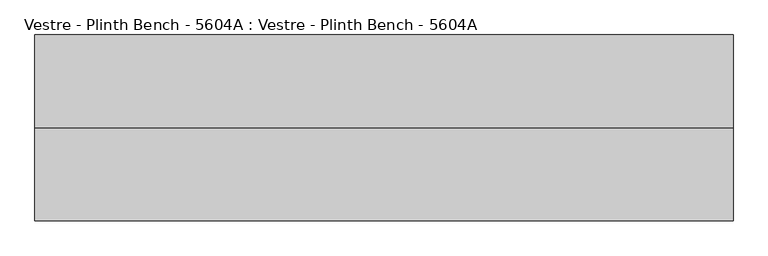
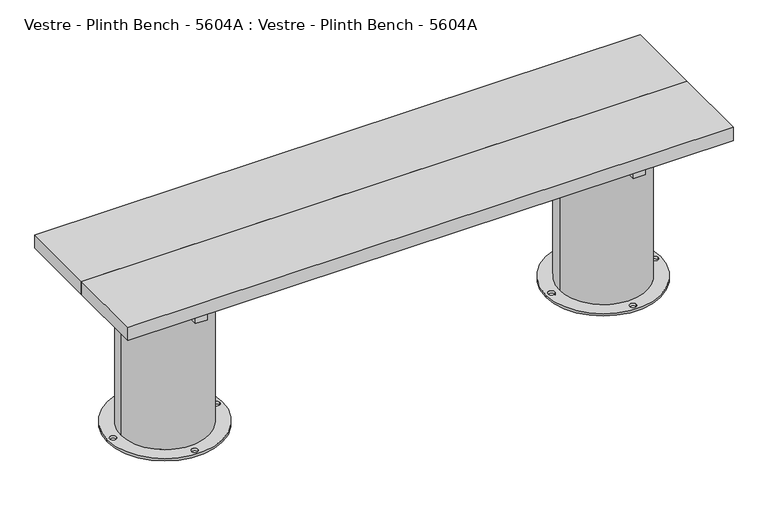
"""IFC4 building model written with IfcOpenShell, lengths in millimetres: furniture geometry, Vestre - Plinth Bench - 5604A : Vestre - Plinth Bench - 5604A."""

from ifc_helpers import new_model, si_unit, frame, origin, place, context, project, spatial, polyline, circle_curve, outline, extrude, source, transform, mapped, element, save
from ifc_brep_helpers import plane_surface, cylinder_surface, revolved_surface, advanced_brep


def vestre_plinth_bench_5604a_vestre_plinth_bench_5604a_52612a8a(model_context):
    return source(origin(), model_context, "Body", "SolidModel", [
        extrude(outline(polyline([(760.0005464, -17.5001515), (760.0005464, -219.9999989), (-760.0005464, -219.9999989), (-760.0005464, -17.5001515), (760.0005464, -17.5001515)])), frame((0.0, 0.0, 414.9999847), z_axis=(0.0, 0.0, 1.0), x_axis=(1.0, 0.0, 0.0)), (0.0, 0.0, 1.0), 35.0000153),
        extrude(outline(polyline([(565.4994536, -378.0001515), (535.4811401, -378.0001515), (535.4811401, -62.0001515), (565.4994536, -62.0001515), (565.4994536, -378.0001515)])), frame((0.0, 0.0, 364.9999847), z_axis=(0.0, 0.0, 1.0), x_axis=(1.0, 0.0, 0.0)), (0.0, 0.0, 1.0), 50.0),
        advanced_brep(
        [(538.5005464, -237.5001515, 274.9999847), (538.5005464, -237.5001515, 364.9999847), (538.5005464, -202.4998463, 364.9999847), (538.5005464, -202.4998463, 274.9999847), (442.3211565, -202.4998463, 274.9999847), (440.9147793, -219.9999989, 274.9999847), (442.3211565, -237.5001515, 274.9999847), (442.3211565, -202.4998463, 364.9999847), (442.3211565, -237.5001515, 364.9999847), (660.0830351, -219.9999989, 364.9999847), (695.0290119, -219.9999989, 0.0), (405.9688024, -219.9999989, 0.0), (688.5005464, -219.9999989, 0.0), (672.5005464, -219.9999989, 0.0), (558.5005464, -90.0001458, 0.0), (542.5005464, -90.0001458, 0.0), (412.497268, -219.9999989, 0.0), (428.497268, -219.9999989, 0.0), (558.5005464, -349.9998521, 0.0), (542.5005464, -349.9998521, 0.0), (440.9147793, -219.9999989, 5.8600001), (660.0830351, -219.9999989, 5.8600001), (695.0290119, -219.9999989, 5.8600001), (405.9688024, -219.9999989, 5.8600001), (688.5005464, -219.9999989, 5.8600001), (672.5005464, -219.9999989, 5.8600001), (558.5005464, -90.0001458, 5.8600001), (542.5005464, -90.0001458, 5.8600001), (412.497268, -219.9999989, 5.8600001), (428.497268, -219.9999989, 5.8600001), (558.5005464, -349.9998521, 5.8600001), (542.5005464, -349.9998521, 5.8600001)],
        [
            (0, 1),
            (1, 2),
            (2, 3),
            (3, 0),
            (3, 4),
            (4, 5, circle_curve(frame((550.4989072, -219.9999989, 274.9999847), z_axis=(0.0, 0.0, 1.0), x_axis=(-1.0, 0.0, 0.0)), 109.5841279)),
            (5, 6, circle_curve(frame((550.4989072, -219.9999989, 274.9999847), z_axis=(0.0, 0.0, 1.0), x_axis=(-1.0, 0.0, 0.0)), 109.5841279)),
            (6, 0),
            (2, 7),
            (7, 4),
            (6, 8),
            (8, 1),
            (9, 7, circle_curve(frame((550.4989072, -219.9999989, 364.9999847), z_axis=(0.0, 0.0, 1.0), x_axis=(-1.0, 0.0, 0.0)), 109.5841279)),
            (8, 9, circle_curve(frame((550.4989072, -219.9999989, 364.9999847), z_axis=(0.0, 0.0, 1.0), x_axis=(-1.0, 0.0, 0.0)), 109.5841279)),
            (10, 11, circle_curve(frame((550.4989072, -219.9999989, 0.0), z_axis=(0.0, 0.0, -1.0), x_axis=(-1.0, 0.0, 0.0)), 144.5301047)),
            (11, 10, circle_curve(frame((550.4989072, -219.9999989, 0.0), z_axis=(0.0, 0.0, -1.0), x_axis=(-1.0, 0.0, 0.0)), 144.5301047)),
            (12, 13, circle_curve(frame((680.5005464, -219.9999989, 0.0), z_axis=(0.0, 0.0, 1.0), x_axis=(-1.0, 0.0, 0.0)), 8.0)),
            (13, 12, circle_curve(frame((680.5005464, -219.9999989, 0.0), z_axis=(0.0, 0.0, 1.0), x_axis=(-1.0, 0.0, 0.0)), 8.0)),
            (14, 15, circle_curve(frame((550.5005464, -90.0001458, 0.0), z_axis=(0.0, 0.0, 1.0), x_axis=(-1.0, 0.0, 0.0)), 8.0)),
            (15, 14, circle_curve(frame((550.5005464, -90.0001458, 0.0), z_axis=(0.0, 0.0, 1.0), x_axis=(-1.0, 0.0, 0.0)), 8.0)),
            (16, 17, circle_curve(frame((420.497268, -219.9999989, 0.0), z_axis=(0.0, 0.0, 1.0), x_axis=(1.0, 0.0, 0.0)), 8.0)),
            (17, 16, circle_curve(frame((420.497268, -219.9999989, 0.0), z_axis=(0.0, 0.0, 1.0), x_axis=(1.0, 0.0, 0.0)), 8.0)),
            (18, 19, circle_curve(frame((550.5005464, -349.9998521, 0.0), z_axis=(0.0, 0.0, 1.0), x_axis=(-1.0, 0.0, 0.0)), 8.0)),
            (19, 18, circle_curve(frame((550.5005464, -349.9998521, 0.0), z_axis=(0.0, 0.0, 1.0), x_axis=(-1.0, 0.0, 0.0)), 8.0)),
            (5, 20),
            (20, 21, circle_curve(frame((550.4989072, -219.9999989, 5.8600001), z_axis=(0.0, 0.0, 1.0), x_axis=(-1.0, 0.0, 0.0)), 109.5841279)),
            (21, 9),
            (21, 20, circle_curve(frame((550.4989072, -219.9999989, 5.8600001), z_axis=(0.0, 0.0, 1.0), x_axis=(-1.0, 0.0, 0.0)), 109.5841279)),
            (22, 23, circle_curve(frame((550.4989072, -219.9999989, 5.8600001), z_axis=(0.0, 0.0, 1.0), x_axis=(-1.0, 0.0, 0.0)), 144.5301047)),
            (23, 22, circle_curve(frame((550.4989072, -219.9999989, 5.8600001), z_axis=(0.0, 0.0, 1.0), x_axis=(-1.0, 0.0, 0.0)), 144.5301047)),
            (24, 25, circle_curve(frame((680.5005464, -219.9999989, 5.8600001), z_axis=(0.0, 0.0, -1.0), x_axis=(-1.0, 0.0, 0.0)), 8.0)),
            (25, 24, circle_curve(frame((680.5005464, -219.9999989, 5.8600001), z_axis=(0.0, 0.0, -1.0), x_axis=(-1.0, 0.0, 0.0)), 8.0)),
            (26, 27, circle_curve(frame((550.5005464, -90.0001458, 5.8600001), z_axis=(0.0, 0.0, -1.0), x_axis=(-1.0, 0.0, 0.0)), 8.0)),
            (27, 26, circle_curve(frame((550.5005464, -90.0001458, 5.8600001), z_axis=(0.0, 0.0, -1.0), x_axis=(-1.0, 0.0, 0.0)), 8.0)),
            (28, 29, circle_curve(frame((420.497268, -219.9999989, 5.8600001), z_axis=(0.0, 0.0, -1.0), x_axis=(1.0, 0.0, 0.0)), 8.0)),
            (29, 28, circle_curve(frame((420.497268, -219.9999989, 5.8600001), z_axis=(0.0, 0.0, -1.0), x_axis=(1.0, 0.0, 0.0)), 8.0)),
            (30, 31, circle_curve(frame((550.5005464, -349.9998521, 5.8600001), z_axis=(0.0, 0.0, -1.0), x_axis=(-1.0, 0.0, 0.0)), 8.0)),
            (31, 30, circle_curve(frame((550.5005464, -349.9998521, 5.8600001), z_axis=(0.0, 0.0, -1.0), x_axis=(-1.0, 0.0, 0.0)), 8.0)),
            (22, 10),
            (11, 23),
            (24, 12),
            (13, 25),
            (26, 14),
            (15, 27),
            (28, 16),
            (17, 29),
            (30, 18),
            (19, 31),
        ],
        [
            plane_surface(frame((538.5005464, -237.5001515, 274.9999847), z_axis=(-1.0, 0.0, 0.0), x_axis=(0.0, 0.0, -1.0))),
            plane_surface(frame((420.0, -202.4998463, 274.9999847), z_axis=(0.0, 0.0, 1.0), x_axis=(1.0, 0.0, 0.0))),
            plane_surface(frame((420.0, -202.4998463, 364.9999847), z_axis=(0.0, -1.0, 0.0), x_axis=(1.0, 0.0, 0.0))),
            plane_surface(frame((420.0, -237.5001515, 274.9999847), z_axis=(0.0, 1.0, 0.0), x_axis=(1.0, 0.0, 0.0))),
            plane_surface(frame((440.9147793, -219.9999989, 364.9999847), z_axis=(0.0, 0.0, 1.0), x_axis=(0.0, -1.0, 0.0))),
            plane_surface(frame((440.9147793, -219.9999989, 0.0), z_axis=(0.0, 0.0, -1.0), x_axis=(0.0, 1.0, 0.0))),
            cylinder_surface(frame((550.4989072, -219.9999989, 0.0), z_axis=(0.0, 0.0, 1.0), x_axis=(-1.0, 0.0, 0.0)), 109.5841279),
            plane_surface(frame((-405.9688024, -219.9999989, 5.8600001), z_axis=(0.0, 0.0, 1.0), x_axis=(0.0, 1.0, 0.0))),
            cylinder_surface(frame((550.4989072, -219.9999989, 0.0), z_axis=(0.0, 0.0, 1.0), x_axis=(-1.0, 0.0, 0.0)), 144.5301047),
            revolved_surface(polyline([(672.5005464, -219.9999989, 0.0), (672.5005464, -219.9999989, 5.8600001)]), (680.5005464, -219.9999989, 0.0), (0.0, 0.0, -1.0)),
            revolved_surface(polyline([(542.5005464, -90.0001458, 0.0), (542.5005464, -90.0001458, 5.8600001)]), (550.5005464, -90.0001458, 0.0), (0.0, 0.0, -1.0)),
            revolved_surface(polyline([(428.497268, -219.9999989, 0.0), (428.497268, -219.9999989, 5.8600001)]), (420.497268, -219.9999989, 0.0), (0.0, 0.0, -1.0)),
            revolved_surface(polyline([(542.5005464, -349.9998521, 0.0), (542.5005464, -349.9998521, 5.8600001)]), (550.5005464, -349.9998521, 0.0), (0.0, 0.0, -1.0)),
        ],
        [
            (0, [[1, 2, 3, 4]]),
            (1, [[-4, 5, 6, 7, 8]]),
            (2, [[-3, 9, 10, -5]]),
            (3, [[-1, -8, 11, 12]]),
            (4, [[13, -9, -2, -12, 14]]),
            (5, [[15, 16], [17, 18], [19, 20], [21, 22], [23, 24]]),
            (6, [[-14, -11, -7, 25, 26, 27]]),
            (6, [[-13, -27, 28, -25, -6, -10]]),
            (7, [[29, 30], [-26, -28], [31, 32], [33, 34], [35, 36], [37, 38]]),
            (8, [[-29, 39, -16, 40]]),
            (8, [[-30, -40, -15, -39]]),
            (9, [[-31, 41, -18, 42]]),
            (9, [[-32, -42, -17, -41]]),
            (10, [[-33, 43, -20, 44]]),
            (10, [[-34, -44, -19, -43]]),
            (11, [[-35, 45, -22, 46]]),
            (11, [[-36, -46, -21, -45]]),
            (12, [[-37, 47, -24, 48]]),
            (12, [[-38, -48, -23, -47]]),
        ],
    ),
        advanced_brep(
        [(-695.0290119, -219.9999989, 0.0), (-405.9688024, -219.9999989, 0.0), (-688.5005464, -219.9999989, 0.0), (-672.5005464, -219.9999989, 0.0), (-558.5005464, -90.0001458, 0.0), (-542.5005464, -90.0001458, 0.0), (-412.497268, -219.9999989, 0.0), (-428.497268, -219.9999989, 0.0), (-558.5005464, -349.9998521, 0.0), (-542.5005464, -349.9998521, 0.0), (-695.0290119, -219.9999989, 5.8600001), (-405.9688024, -219.9999989, 5.8600001), (-688.5005464, -219.9999989, 5.8600001), (-672.5005464, -219.9999989, 5.8600001), (-558.5005464, -90.0001458, 5.8600001), (-542.5005464, -90.0001458, 5.8600001), (-412.497268, -219.9999989, 5.8600001), (-428.497268, -219.9999989, 5.8600001), (-558.5005464, -349.9998521, 5.8600001), (-542.5005464, -349.9998521, 5.8600001), (-440.9147793, -219.9999989, 5.8600001), (-660.0830351, -219.9999989, 5.8600001), (-660.0830351, -219.9999989, 364.9999847), (-442.3211565, -237.5001515, 364.9999847), (-538.5005464, -237.5001515, 364.9999847), (-538.5005464, -202.4998463, 364.9999847), (-442.3211565, -202.4998463, 364.9999847), (-440.9147793, -219.9999989, 274.9999847), (-442.3211565, -237.5001515, 274.9999847), (-442.3211565, -202.4998463, 274.9999847), (-538.5005464, -237.5001515, 274.9999847), (-538.5005464, -202.4998463, 274.9999847)],
        [
            (0, 1, circle_curve(frame((-550.4989072, -219.9999989, 0.0), z_axis=(0.0, 0.0, -1.0), x_axis=(1.0, 0.0, 0.0)), 144.5301047)),
            (1, 0, circle_curve(frame((-550.4989072, -219.9999989, 0.0), z_axis=(0.0, 0.0, -1.0), x_axis=(1.0, 0.0, 0.0)), 144.5301047)),
            (2, 3, circle_curve(frame((-680.5005464, -219.9999989, 0.0), z_axis=(0.0, 0.0, 1.0), x_axis=(1.0, 0.0, 0.0)), 8.0)),
            (3, 2, circle_curve(frame((-680.5005464, -219.9999989, 0.0), z_axis=(0.0, 0.0, 1.0), x_axis=(1.0, 0.0, 0.0)), 8.0)),
            (4, 5, circle_curve(frame((-550.5005464, -90.0001458, 0.0), z_axis=(0.0, 0.0, 1.0), x_axis=(1.0, 0.0, 0.0)), 8.0)),
            (5, 4, circle_curve(frame((-550.5005464, -90.0001458, 0.0), z_axis=(0.0, 0.0, 1.0), x_axis=(1.0, 0.0, 0.0)), 8.0)),
            (6, 7, circle_curve(frame((-420.497268, -219.9999989, 0.0), z_axis=(0.0, 0.0, 1.0), x_axis=(-1.0, 0.0, 0.0)), 8.0)),
            (7, 6, circle_curve(frame((-420.497268, -219.9999989, 0.0), z_axis=(0.0, 0.0, 1.0), x_axis=(-1.0, 0.0, 0.0)), 8.0)),
            (8, 9, circle_curve(frame((-550.5005464, -349.9998521, 0.0), z_axis=(0.0, 0.0, 1.0), x_axis=(1.0, 0.0, 0.0)), 8.0)),
            (9, 8, circle_curve(frame((-550.5005464, -349.9998521, 0.0), z_axis=(0.0, 0.0, 1.0), x_axis=(1.0, 0.0, 0.0)), 8.0)),
            (10, 11, circle_curve(frame((-550.4989072, -219.9999989, 5.8600001), z_axis=(0.0, 0.0, 1.0), x_axis=(1.0, 0.0, 0.0)), 144.5301047)),
            (11, 10, circle_curve(frame((-550.4989072, -219.9999989, 5.8600001), z_axis=(0.0, 0.0, 1.0), x_axis=(1.0, 0.0, 0.0)), 144.5301047)),
            (12, 13, circle_curve(frame((-680.5005464, -219.9999989, 5.8600001), z_axis=(0.0, 0.0, -1.0), x_axis=(1.0, 0.0, 0.0)), 8.0)),
            (13, 12, circle_curve(frame((-680.5005464, -219.9999989, 5.8600001), z_axis=(0.0, 0.0, -1.0), x_axis=(1.0, 0.0, 0.0)), 8.0)),
            (14, 15, circle_curve(frame((-550.5005464, -90.0001458, 5.8600001), z_axis=(0.0, 0.0, -1.0), x_axis=(1.0, 0.0, 0.0)), 8.0)),
            (15, 14, circle_curve(frame((-550.5005464, -90.0001458, 5.8600001), z_axis=(0.0, 0.0, -1.0), x_axis=(1.0, 0.0, 0.0)), 8.0)),
            (16, 17, circle_curve(frame((-420.497268, -219.9999989, 5.8600001), z_axis=(0.0, 0.0, -1.0), x_axis=(-1.0, 0.0, 0.0)), 8.0)),
            (17, 16, circle_curve(frame((-420.497268, -219.9999989, 5.8600001), z_axis=(0.0, 0.0, -1.0), x_axis=(-1.0, 0.0, 0.0)), 8.0)),
            (18, 19, circle_curve(frame((-550.5005464, -349.9998521, 5.8600001), z_axis=(0.0, 0.0, -1.0), x_axis=(1.0, 0.0, 0.0)), 8.0)),
            (19, 18, circle_curve(frame((-550.5005464, -349.9998521, 5.8600001), z_axis=(0.0, 0.0, -1.0), x_axis=(1.0, 0.0, 0.0)), 8.0)),
            (20, 21, circle_curve(frame((-550.4989072, -219.9999989, 5.8600001), z_axis=(0.0, 0.0, -1.0), x_axis=(1.0, 0.0, 0.0)), 109.5841279)),
            (21, 20, circle_curve(frame((-550.4989072, -219.9999989, 5.8600001), z_axis=(0.0, 0.0, -1.0), x_axis=(1.0, 0.0, 0.0)), 109.5841279)),
            (10, 0),
            (1, 11),
            (12, 2),
            (3, 13),
            (14, 4),
            (5, 15),
            (16, 6),
            (7, 17),
            (18, 8),
            (9, 19),
            (22, 23, circle_curve(frame((-550.4989072, -219.9999989, 364.9999847), z_axis=(0.0, 0.0, 1.0), x_axis=(1.0, 0.0, 0.0)), 109.5841279)),
            (23, 24),
            (24, 25),
            (25, 26),
            (26, 22, circle_curve(frame((-550.4989072, -219.9999989, 364.9999847), z_axis=(0.0, 0.0, 1.0), x_axis=(1.0, 0.0, 0.0)), 109.5841279)),
            (22, 21),
            (20, 27),
            (27, 28, circle_curve(frame((-550.4989072, -219.9999989, 274.9999847), z_axis=(0.0, 0.0, -1.0), x_axis=(1.0, 0.0, 0.0)), 109.5841279)),
            (28, 23),
            (26, 29),
            (29, 27, circle_curve(frame((-550.4989072, -219.9999989, 274.9999847), z_axis=(0.0, 0.0, -1.0), x_axis=(1.0, 0.0, 0.0)), 109.5841279)),
            (30, 31),
            (31, 25),
            (24, 30),
            (30, 28),
            (29, 31),
        ],
        [
            plane_surface(frame((440.9147793, -219.9999989, 0.0), z_axis=(0.0, 0.0, -1.0), x_axis=(0.0, 1.0, 0.0))),
            plane_surface(frame((-405.9688024, -219.9999989, 5.8600001), z_axis=(0.0, 0.0, 1.0), x_axis=(0.0, 1.0, 0.0))),
            cylinder_surface(frame((-550.4989072, -219.9999989, 0.0), z_axis=(0.0, 0.0, 1.0), x_axis=(1.0, 0.0, 0.0)), 144.5301047),
            revolved_surface(polyline([(-672.5005464, -219.9999989, 0.0), (-672.5005464, -219.9999989, 5.8600001)]), (-680.5005464, -219.9999989, 0.0), (0.0, 0.0, -1.0)),
            revolved_surface(polyline([(-542.5005464, -90.0001458, 0.0), (-542.5005464, -90.0001458, 5.8600001)]), (-550.5005464, -90.0001458, 0.0), (0.0, 0.0, -1.0)),
            revolved_surface(polyline([(-428.497268, -219.9999989, 0.0), (-428.497268, -219.9999989, 5.8600001)]), (-420.497268, -219.9999989, 0.0), (0.0, 0.0, -1.0)),
            revolved_surface(polyline([(-542.5005464, -349.9998521, 0.0), (-542.5005464, -349.9998521, 5.8600001)]), (-550.5005464, -349.9998521, 0.0), (0.0, 0.0, -1.0)),
            plane_surface(frame((-440.9147793, -219.9999989, 364.9999847), z_axis=(0.0, 0.0, 1.0), x_axis=(0.0, 1.0, 0.0))),
            cylinder_surface(frame((-550.4989072, -219.9999989, 0.0), z_axis=(0.0, 0.0, 1.0), x_axis=(1.0, 0.0, 0.0)), 109.5841279),
            plane_surface(frame((-538.5005464, -202.4998463, 274.9999847), z_axis=(1.0, 0.0, 0.0), x_axis=(0.0, -1.0, 0.0))),
            plane_surface(frame((-420.0, -237.5001515, 274.9999847), z_axis=(0.0, 0.0, 1.0), x_axis=(-1.0, 0.0, 0.0))),
            plane_surface(frame((-420.0, -202.4998463, 274.9999847), z_axis=(0.0, -1.0, 0.0), x_axis=(-1.0, 0.0, 0.0))),
            plane_surface(frame((-420.0, -237.5001515, 364.9999847), z_axis=(0.0, 1.0, 0.0), x_axis=(-1.0, 0.0, 0.0))),
        ],
        [
            (0, [[1, 2], [3, 4], [5, 6], [7, 8], [9, 10]]),
            (1, [[11, 12], [13, 14], [15, 16], [17, 18], [19, 20], [21, 22]]),
            (2, [[-11, 23, -2, 24]]),
            (2, [[-12, -24, -1, -23]]),
            (3, [[-13, 25, -4, 26]]),
            (3, [[-14, -26, -3, -25]]),
            (4, [[-15, 27, -6, 28]]),
            (4, [[-16, -28, -5, -27]]),
            (5, [[-17, 29, -8, 30]]),
            (5, [[-18, -30, -7, -29]]),
            (6, [[-19, 31, -10, 32]]),
            (6, [[-20, -32, -9, -31]]),
            (7, [[33, 34, 35, 36, 37]]),
            (8, [[-33, 38, -21, 39, 40, 41]]),
            (8, [[-37, 42, 43, -39, -22, -38]]),
            (9, [[44, 45, -35, 46]]),
            (10, [[-44, 47, -40, -43, 48]]),
            (11, [[-45, -48, -42, -36]]),
            (12, [[-46, -34, -41, -47]]),
        ],
    ),
        extrude(outline(polyline([(-535.4811401, -378.0001515), (-565.4994536, -378.0001515), (-565.4994536, -62.0001515), (-535.4811401, -62.0001515), (-535.4811401, -378.0001515)])), frame((0.0, 0.0, 364.9999847), z_axis=(0.0, 0.0, 1.0), x_axis=(1.0, 0.0, 0.0)), (0.0, 0.0, 1.0), 50.0),
        extrude(outline(polyline([(538.5005464, -202.4998463), (538.5005464, -237.5001515), (-538.5005464, -237.5001515), (-538.5005464, -202.4998463), (538.5005464, -202.4998463)])), frame((0.0, 0.0, 274.9999847), z_axis=(0.0, 0.0, 1.0), x_axis=(1.0, 0.0, 0.0)), (0.0, 0.0, 1.0), 90.0),
        extrude(outline(polyline([(760.0005464, -219.9999989), (760.0005464, -422.4998463), (-760.0005464, -422.4998463), (-760.0005464, -219.9999989), (760.0005464, -219.9999989)])), frame((0.0, 0.0, 414.9999847), z_axis=(0.0, 0.0, 1.0), x_axis=(1.0, 0.0, 0.0)), (0.0, 0.0, 1.0), 35.0000153),
    ])


if __name__ == "__main__":
    model = new_model("IFC4")
    model_context = context("Model", 3, world=origin())
    ifc_project = project(units=[si_unit("LENGTHUNIT", "METRE", prefix="MILLI")], contexts=[model_context])
    site = spatial("IfcSite", under=ifc_project)
    building = spatial("IfcBuilding", under=site)
    placement = place(None, origin())
    vestre_plinth_bench_5604a_vestre_plinth_bench_5604a_shape = vestre_plinth_bench_5604a_vestre_plinth_bench_5604a_52612a8a(model_context)
    element("IfcFurniture", 1, ObjectType="Vestre - Plinth Bench - 5604A : Vestre - Plinth Bench - 5604A", at=placement, inside=building, context=model_context, shape_type="MappedRepresentation", body=[
        mapped(vestre_plinth_bench_5604a_vestre_plinth_bench_5604a_shape, transform((0.0, 0.0, 0.0), x_axis=(1.0, 0.0, 0.0), y_axis=(0.0, 1.0, 0.0), z_axis=(0.0, 0.0, 1.0))),
    ])
    save(model, "model.ifc")
